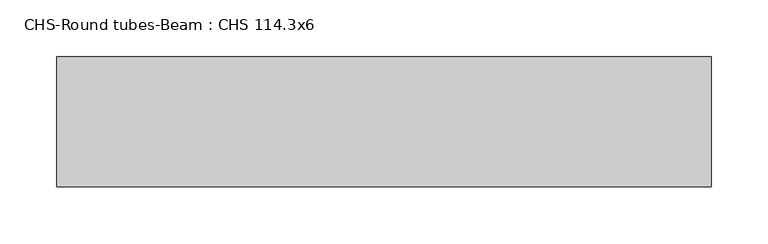
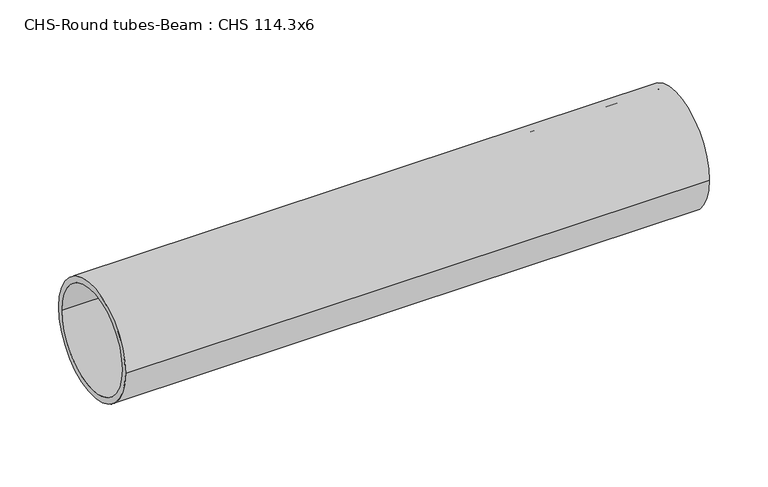
"""IFC4 building model written with IfcOpenShell, lengths in millimetres: beam geometry, CHS-Round tubes-Beam : CHS 114.3x6."""

from ifc_helpers import new_model, si_unit, point, frame, origin, origin_2d, place, context, project, spatial, circle_curve, trimmed, segment, composite_curve, outline, extrude, source, transform, mapped, element, save


def chs_round_tubes_beam_chs_114_3x6_e8ee59a6(model_context):
    return source(origin(), model_context, "Body", "SweptSolid", [
        extrude(outline(composite_curve([segment(trimmed(circle_curve(origin_2d(), 57.15), [point((57.15, 0.0))], [point((-57.15, 0.0))], False, "CARTESIAN"), True, "CONTINUOUS"), segment(trimmed(circle_curve(origin_2d(), 57.15), [point((-57.15, 0.0))], [point((57.15, 0.0))], False, "CARTESIAN"), True, "CONTINUOUS")], self_intersect=False), holes=[composite_curve([segment(trimmed(circle_curve(origin_2d(), 51.15), [point((51.15, 0.0))], [point((-51.15, 0.0))], True, "CARTESIAN"), True, "CONTINUOUS"), segment(trimmed(circle_curve(origin_2d(), 51.15), [point((-51.15, 0.0))], [point((51.15, 0.0))], True, "CARTESIAN"), True, "CONTINUOUS")], self_intersect=False)]), frame((-251.2668657, 0.0, 0.0), z_axis=(1.0, 0.0, 0.0), x_axis=(0.0, 1.0, 0.0)), (0.0, 0.0, 1.0), 574.8575023),
    ])


if __name__ == "__main__":
    model = new_model("IFC4")
    model_context = context("Model", 3, world=origin())
    ifc_project = project(units=[si_unit("LENGTHUNIT", "METRE", prefix="MILLI")], contexts=[model_context])
    site = spatial("IfcSite", under=ifc_project)
    building = spatial("IfcBuilding", under=site)
    placement = place(None, origin())
    chs_round_tubes_beam_chs_114_3x6_shape = chs_round_tubes_beam_chs_114_3x6_e8ee59a6(model_context)
    element("IfcBeam", 1, ObjectType="CHS-Round tubes-Beam : CHS 114.3x6", at=placement, inside=building, context=model_context, shape_type="MappedRepresentation", body=[
        mapped(chs_round_tubes_beam_chs_114_3x6_shape, transform((0.0, 0.0, 0.0), x_axis=(1.0, 0.0, 0.0), y_axis=(0.0, 1.0, 0.0), z_axis=(0.0, 0.0, 1.0))),
    ])
    save(model, "model.ifc")
